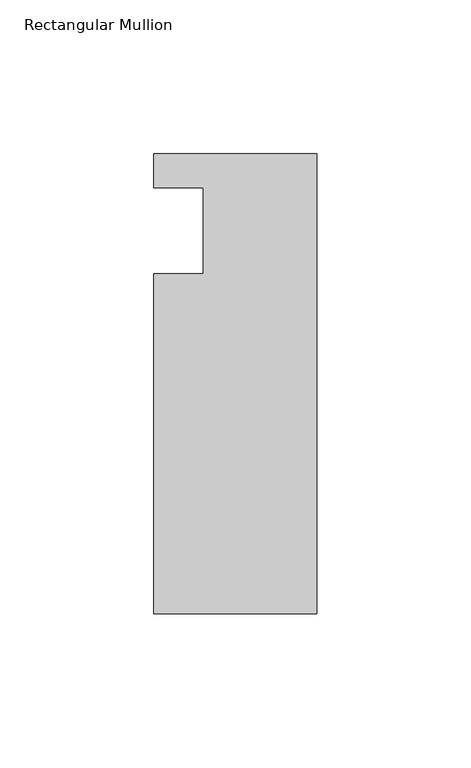
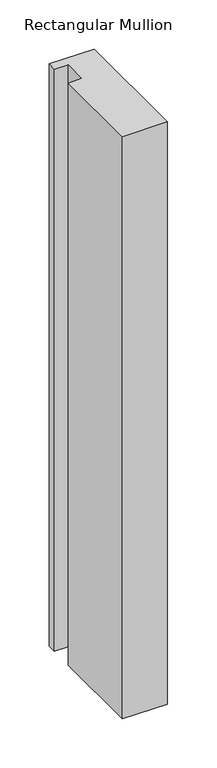
"""IFC4 building model written with IfcOpenShell, lengths in millimetres: member geometry, Rectangular Mullion."""

from ifc_helpers import new_model, si_unit, frame, origin, place, context, project, spatial, polyline, outline, extrude, source, transform, mapped, element, save


def rectangular_mullion_c6406850(model_context):
    return source(origin(), model_context, "Body", "SweptSolid", [
        extrude(outline(polyline([(-37.0, 13.9999453), (-53.0, 13.9999453), (-53.0, 24.9999453), (0.0, 24.9999453), (0.0, -124.5000547), (-53.0, -124.5000547), (-53.0, -14.0000547), (-37.0, -14.0000547), (-37.0, 13.9999453)])), frame((0.0, 0.0, -724.000019), z_axis=(0.0, 0.0, 1.0), x_axis=(1.0, 0.0, 0.0)), (0.0, 0.0, 1.0), 724.000019),
    ])


if __name__ == "__main__":
    model = new_model("IFC4")
    model_context = context("Model", 3, world=origin())
    ifc_project = project(units=[si_unit("LENGTHUNIT", "METRE", prefix="MILLI")], contexts=[model_context])
    site = spatial("IfcSite", under=ifc_project)
    building = spatial("IfcBuilding", under=site)
    placement = place(None, origin())
    rectangular_mullion_shape = rectangular_mullion_c6406850(model_context)
    element("IfcMember", 1, ObjectType="Rectangular Mullion", at=placement, inside=building, context=model_context, shape_type="MappedRepresentation", body=[
        mapped(rectangular_mullion_shape, transform((0.0, 0.0, 0.0), x_axis=(1.0, 0.0, 0.0), y_axis=(0.0, 1.0, 0.0), z_axis=(0.0, 0.0, 1.0))),
    ])
    save(model, "model.ifc")
